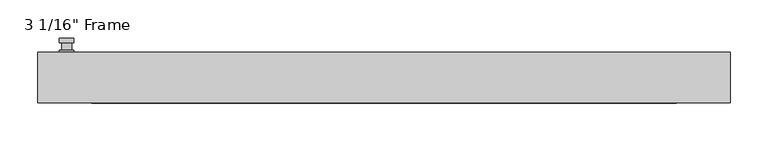
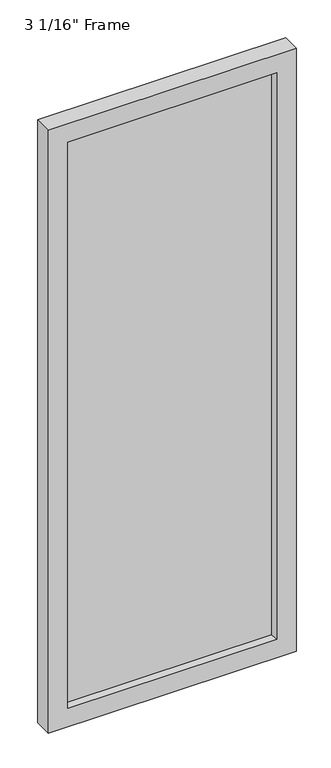
"""IFC4 building model written with IfcOpenShell, lengths in millimetres: plate geometry."""

from ifc_helpers import new_model, si_unit, frame, origin, place, context, project, spatial, polyline, circle_curve, outline, extrude, faceted_brep, source, transform, mapped, element, save
from ifc_brep_helpers import plane_surface, cylinder_surface, advanced_brep


def plate_45431a78(model_context):
    return source(origin(), model_context, "Body", "SolidModel", [
        advanced_brep(
        [(-409.575, 33.3375, 927.1), (-428.625, 33.3375, 927.1), (-428.625, 33.3375, 901.7), (-409.575, 33.3375, 901.7), (-412.75, 46.0375, 914.4), (-412.75, 36.5125, 914.4), (-425.45, 36.5125, 914.4), (-425.45, 46.0375, 914.4), (-409.575, 46.0375, 914.4), (-428.625, 46.0375, 914.4), (-425.4459644, 46.0375, 825.2736467), (-412.7540356, 46.0375, 825.2736467), (-409.575, 52.3875, 914.4), (-412.7540356, 52.3875, 825.2736467), (-425.4459644, 52.3875, 825.2736467), (-428.625, 52.3875, 914.4), (-409.575, 36.5125, 927.1), (-409.575, 36.5125, 901.7), (-428.625, 36.5125, 901.7), (-428.625, 36.5125, 927.1)],
        [
            (0, 1, circle_curve(frame((-419.1, 33.3375, 927.1), z_axis=(0.0, -1.0, 0.0), x_axis=(-1.0, 0.0, 0.0)), 9.525)),
            (1, 2),
            (2, 3, circle_curve(frame((-419.1, 33.3375, 901.7), z_axis=(0.0, -1.0, 0.0), x_axis=(-1.0, 0.0, 0.0)), 9.525)),
            (3, 0),
            (4, 5),
            (5, 6, circle_curve(frame((-419.1, 36.5125, 914.4), z_axis=(0.0, 1.0, 0.0), x_axis=(-1.0, 0.0, 0.0)), 6.35)),
            (6, 7),
            (7, 4, circle_curve(frame((-419.1, 46.0375, 914.4), z_axis=(0.0, -1.0, 0.0), x_axis=(-1.0, 0.0, 0.0)), 6.35)),
            (6, 5, circle_curve(frame((-419.1, 36.5125, 914.4), z_axis=(0.0, 1.0, 0.0), x_axis=(-1.0, 0.0, 0.0)), 6.35)),
            (4, 7, circle_curve(frame((-419.1, 46.0375, 914.4), z_axis=(0.0, -1.0, 0.0), x_axis=(-1.0, 0.0, 0.0)), 6.35)),
            (8, 9, circle_curve(frame((-419.1, 46.0375, 914.4), z_axis=(0.0, -1.0, 0.0), x_axis=(-1.0, 0.0, 0.0)), 9.525)),
            (9, 10),
            (10, 11, circle_curve(frame((-419.1, 46.0375, 825.5), z_axis=(0.0, -1.0, 0.0), x_axis=(-1.0, 0.0, 0.0)), 6.35)),
            (11, 8),
            (12, 13),
            (13, 14, circle_curve(frame((-419.1, 52.3875, 825.5), z_axis=(0.0, 1.0, 0.0), x_axis=(-1.0, 0.0, 0.0)), 6.35)),
            (14, 15),
            (15, 12, circle_curve(frame((-419.1, 52.3875, 914.4), z_axis=(0.0, 1.0, 0.0), x_axis=(-1.0, 0.0, 0.0)), 9.525)),
            (11, 13),
            (12, 8),
            (10, 14),
            (9, 15),
            (16, 17),
            (17, 18, circle_curve(frame((-419.1, 36.5125, 901.7), z_axis=(0.0, 1.0, 0.0), x_axis=(-1.0, 0.0, 0.0)), 9.525)),
            (18, 19),
            (19, 16, circle_curve(frame((-419.1, 36.5125, 927.1), z_axis=(0.0, 1.0, 0.0), x_axis=(-1.0, 0.0, 0.0)), 9.525)),
            (3, 17),
            (16, 0),
            (2, 18),
            (1, 19),
        ],
        [
            plane_surface(frame((-425.45, 33.3375, 914.4), z_axis=(0.0, -1.0, 0.0), x_axis=(0.0, 0.0, 1.0))),
            cylinder_surface(frame((-419.1, 46.0375, 914.4), z_axis=(0.0, -1.0, 0.0), x_axis=(-1.0, 0.0, 0.0)), 6.35),
            plane_surface(frame((-409.575, 46.0375, 914.4), z_axis=(0.0, -1.0000000000000002, 0.0), x_axis=(-0.03564619348186888, 0.0, -0.9993644724975235))),
            plane_surface(frame((-409.575, 52.3875, 914.4), z_axis=(0.0, 1.0000000000000002, 0.0), x_axis=(0.03564619348186888, 0.0, 0.9993644724975235))),
            plane_surface(frame((-409.575, 46.0375, 914.4), z_axis=(0.9993644724975235, 0.0, -0.03564619348186888), x_axis=(0.0, 1.0, 0.0))),
            cylinder_surface(frame((-419.1, 52.3875, 825.5), z_axis=(0.0, -1.0, 0.0), x_axis=(-1.0, 0.0, 0.0)), 6.35),
            plane_surface(frame((-425.4459644, 46.0375, 825.2736467), z_axis=(-0.9993644724975228, 0.0, -0.03564619348188612), x_axis=(0.0, 1.0, 0.0))),
            cylinder_surface(frame((-419.1, 52.3875, 914.4), z_axis=(0.0, -1.0, 0.0), x_axis=(-1.0, 0.0, 0.0)), 9.525),
            plane_surface(frame((-409.575, 36.5125, 901.7), z_axis=(0.0, 1.0, 0.0), x_axis=(0.0, 0.0, 1.0))),
            plane_surface(frame((-409.575, 33.3375, 927.1), z_axis=(1.0, 0.0, 0.0), x_axis=(0.0, 1.0, 0.0))),
            cylinder_surface(frame((-419.1, 36.5125, 901.7), z_axis=(0.0, -1.0, 0.0), x_axis=(-1.0, 0.0, 0.0)), 9.525),
            plane_surface(frame((-428.625, 33.3375, 901.7), z_axis=(-1.0, 0.0, 0.0), x_axis=(0.0, 1.0, 0.0))),
            cylinder_surface(frame((-419.1, 36.5125, 927.1), z_axis=(0.0, -1.0, 0.0), x_axis=(-1.0, 0.0, 0.0)), 9.525),
        ],
        [
            (0, [[1, 2, 3, 4]]),
            (1, [[5, 6, 7, 8]]),
            (1, [[-7, 9, -5, 10]]),
            (2, [[11, 12, 13, 14], [-10, -8]]),
            (3, [[15, 16, 17, 18]]),
            (4, [[19, -15, 20, -14]]),
            (5, [[21, -16, -19, -13]]),
            (6, [[22, -17, -21, -12]]),
            (7, [[-20, -18, -22, -11]]),
            (8, [[23, 24, 25, 26], [-9, -6]]),
            (9, [[27, -23, 28, -4]]),
            (10, [[29, -24, -27, -3]]),
            (11, [[30, -25, -29, -2]]),
            (12, [[-28, -26, -30, -1]]),
        ],
    ),
        faceted_brep([(-457.2, 33.3375, 0.0), (457.2, 33.3375, 0.0), (457.2, -33.3375, 0.0), (-457.2, -33.3375, 0.0), (-457.2, 33.3375, 2352.675), (457.2, 33.3375, 2352.675), (-385.7625, 33.3375, 2281.2375), (-385.7625, 33.3375, 71.4375), (385.7625, 33.3375, 71.4375), (385.7625, 33.3375, 2281.2375), (-457.2, -33.3375, 2352.675), (457.2, -33.3375, 2352.675), (-385.7625, -33.3375, 2281.2375), (385.7625, -33.3375, 2281.2375), (385.7625, -33.3375, 71.4375), (-385.7625, -33.3375, 71.4375), (-379.4125, -11.90625, 77.7875), (-379.4125, -11.90625, 2274.8875), (392.1125, -11.90625, 2287.5875), (392.1125, -11.90625, 65.0875), (-392.1125, -11.90625, 65.0875), (-392.1125, -11.90625, 2287.5875), (379.4125, -11.90625, 77.7875), (379.4125, -11.90625, 2274.8875), (-392.1125, 11.90625, 65.0875), (-392.1125, 11.90625, 2287.5875), (392.1125, 11.90625, 65.0875), (392.1125, 11.90625, 2287.5875), (-379.4125, 11.90625, 2274.8875), (379.4125, 11.90625, 2274.8875), (379.4125, 11.90625, 77.7875), (-379.4125, 11.90625, 77.7875)], [[[0, 1, 2, 3]], [[0, 4, 5, 1], [6, 7, 8, 9]], [[3, 10, 4, 0]], [[2, 11, 10, 3], [12, 13, 14, 15]], [[12, 15, 16, 17]], [[18, 19, 20, 21], [17, 16, 22, 23]], [[20, 24, 25, 21]], [[25, 24, 26, 27], [28, 29, 30, 31]], [[28, 31, 7, 6]], [[4, 10, 11, 5]], [[12, 17, 23, 13]], [[21, 25, 27, 18]], [[9, 29, 28, 6]], [[5, 11, 2, 1]], [[23, 22, 14, 13]], [[26, 19, 18, 27]], [[9, 8, 30, 29]], [[7, 31, 30, 8]], [[19, 26, 24, 20]], [[16, 15, 14, 22]]]),
        extrude(outline(polyline([(392.1125, 11.90625), (392.1125, -11.90625), (-392.1125, -11.90625), (-392.1125, 11.90625), (392.1125, 11.90625)])), frame((0.0, 0.0, 65.0875), z_axis=(0.0, 0.0, 1.0), x_axis=(1.0, 0.0, 0.0)), (0.0, 0.0, 1.0), 2222.5),
    ])


if __name__ == "__main__":
    model = new_model("IFC4")
    model_context = context("Model", 3, world=origin())
    ifc_project = project(units=[si_unit("LENGTHUNIT", "METRE", prefix="MILLI")], contexts=[model_context])
    site = spatial("IfcSite", under=ifc_project)
    building = spatial("IfcBuilding", under=site)
    placement = place(None, origin())
    plate_shape = plate_45431a78(model_context)
    element("IfcPlate", 1, ObjectType="3 1/16\" Frame", at=placement, inside=building, context=model_context, shape_type="MappedRepresentation", body=[
        mapped(plate_shape, transform((0.0, 0.0, 0.0), x_axis=(1.0, 0.0, 0.0), y_axis=(0.0, 1.0, 0.0), z_axis=(0.0, 0.0, 1.0))),
    ])
    save(model, "model.ifc")
